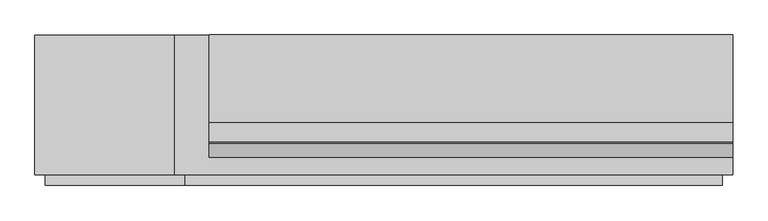
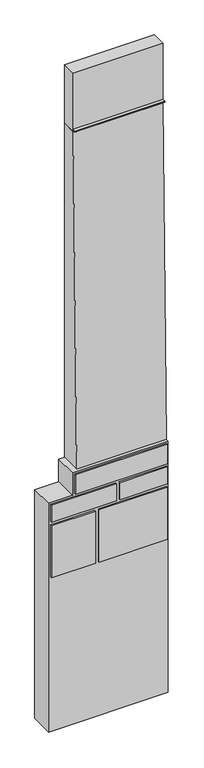
"""IFC4 building model written with IfcOpenShell, lengths in millimetres: furniture geometry."""

import ifcopenshell
import ifcopenshell.guid

model = None  # the IFC model being written
_history = None  # IfcOwnerHistory: only IFC2X3 demands one
_inside = {}  # id of a spatial element -> (the spatial element, [elements in it])
_under = {}  # id of a project, library or spatial element -> (it, [spatial elements below it])
_declared = {}  # id of a project -> (the project, [libraries it declares])
_typed = {}  # id of a type object -> (the type object, [elements of that type])
_made_of = {}  # id of a material, layer set ... -> (it, [elements and type objects made of it])


def new_model(schema):
    """Start an empty IFC model of exactly this schema.

    Asked for "IFC4X3", IfcOpenShell would pick the latest addendum, in which some entities
    have other attributes; the version numbers below select the first issue.
    IFC2X3 requires an IfcOwnerHistory on every rooted entity: one is made here for all.
    """
    global model, _history
    if schema == "IFC4X3":
        model = ifcopenshell.file(schema_version=(4, 3, 0, 0))
    else:
        model = ifcopenshell.file(schema=schema)
    _inside.clear()
    _under.clear()
    _declared.clear()
    _typed.clear()
    _made_of.clear()
    _history = None
    if model.schema == "IFC2X3":
        org = make("IfcOrganization", Name="unknown")
        user = make(
            "IfcPersonAndOrganization",
            ThePerson=make("IfcPerson", FamilyName="unknown"),
            TheOrganization=org,
        )
        app = make(
            "IfcApplication",
            ApplicationDeveloper=org,
            Version="unknown",
            ApplicationFullName="unknown",
            ApplicationIdentifier="unknown",
        )
        _history = make(
            "IfcOwnerHistory",
            OwningUser=user,
            OwningApplication=app,
            ChangeAction="ADDED",
            CreationDate=0,
        )
    return model


def make(cls, **values):
    """One entity of the class cls with the attributes given. An attribute that is None is left unset."""
    return model.create_entity(
        cls, **{name: value for name, value in values.items() if value is not None}
    )


def rooted(cls, **values):
    """An entity with a GlobalId (a new one), such as an element, a storey or a relation."""
    return make(cls, GlobalId=ifcopenshell.guid.new(), OwnerHistory=_history, **values)


def si_unit(unit_type, name, prefix=None):
    """IfcSIUnit, for example si_unit("LENGTHUNIT", "METRE", prefix="MILLI")."""
    return make("IfcSIUnit", UnitType=unit_type, Prefix=prefix, Name=name)


def assignment(units):
    """IfcUnitAssignment: the units of a project."""
    return None if units is None else make("IfcUnitAssignment", Units=units)


def point(xyz):
    """IfcCartesianPoint."""
    return None if xyz is None else make("IfcCartesianPoint", Coordinates=xyz)


def direction(xyz):
    """IfcDirection."""
    return None if xyz is None else make("IfcDirection", DirectionRatios=xyz)


def frame(location, z_axis=None, x_axis=None):
    """IfcAxis2Placement3D, a coordinate frame: its origin and axes. An axis left out is left unset."""
    return make(
        "IfcAxis2Placement3D",
        Location=point(location),
        Axis=direction(z_axis),
        RefDirection=direction(x_axis),
    )


def frame_2d(location, x_axis=None):
    """IfcAxis2Placement2D, a coordinate frame in the plane: its origin and x axis."""
    return make(
        "IfcAxis2Placement2D", Location=point(location), RefDirection=direction(x_axis)
    )


def origin():
    """The frame at (0, 0, 0) with its axes left unset."""
    return frame((0.0, 0.0, 0.0))


def place(relative_to, where):
    """IfcLocalPlacement: puts the frame where relative to a parent placement (None: the world)."""
    return make(
        "IfcLocalPlacement", PlacementRelTo=relative_to, RelativePlacement=where
    )


def context(
    kind, dimensions, precision=None, world=None, true_north=None, identifier=None
):
    """IfcGeometricRepresentationContext, for example the 3D "Model" context."""
    return make(
        "IfcGeometricRepresentationContext",
        ContextIdentifier=identifier,
        ContextType=kind,
        CoordinateSpaceDimension=dimensions,
        Precision=precision,
        WorldCoordinateSystem=world,
        TrueNorth=true_north,
    )


def project(units=None, contexts=None):
    """IfcProject with its units and contexts."""
    return rooted(
        "IfcProject",
        Name="project",
        RepresentationContexts=contexts,
        UnitsInContext=assignment(units),
    )


def spatial(cls, under=None, at=None, **own):
    """A site, building, storey or space (cls), placed at a placement, below another one or the project."""
    s = rooted(cls, ObjectPlacement=at, **own)
    if under is not None:
        _under.setdefault(under.id(), (under, []))[1].append(s)
    return s


def polyline(points):
    """IfcPolyline through the points."""
    return make("IfcPolyline", Points=[point(p) for p in points])


def circle_curve(where, radius):
    """IfcCircle in the frame where."""
    return make("IfcCircle", Position=where, Radius=radius)


def trimmed(basis, trim1, trim2, sense, master):
    """IfcTrimmedCurve: the piece of a basis curve between two trims."""
    return make(
        "IfcTrimmedCurve",
        BasisCurve=basis,
        Trim1=trim1,
        Trim2=trim2,
        SenseAgreement=sense,
        MasterRepresentation=master,
    )


def segment(curve, same_sense, transition):
    """IfcCompositeCurveSegment."""
    return make(
        "IfcCompositeCurveSegment",
        Transition=transition,
        SameSense=same_sense,
        ParentCurve=curve,
    )


def composite_curve(segments, self_intersect=None):
    """IfcCompositeCurve: segments joined end to end."""
    return make("IfcCompositeCurve", Segments=segments, SelfIntersect=self_intersect)


def outline(outer, holes=None, kind="AREA"):
    """IfcArbitraryClosedProfileDef: a profile drawn as a closed curve; with holes, ...WithVoids."""
    if holes is None:
        return make("IfcArbitraryClosedProfileDef", ProfileType=kind, OuterCurve=outer)
    return make(
        "IfcArbitraryProfileDefWithVoids",
        ProfileType=kind,
        OuterCurve=outer,
        InnerCurves=holes,
    )


def extrude(swept, where, along, depth):
    """IfcExtrudedAreaSolid: the profile swept, set in the frame where, extruded along a direction by depth."""
    return make(
        "IfcExtrudedAreaSolid",
        SweptArea=swept,
        Position=where,
        ExtrudedDirection=direction(along),
        Depth=depth,
    )


def shape(context_of_items, identifier, shape_type, items):
    """IfcShapeRepresentation: the items that make up one representation, for example the "Body"."""
    return make(
        "IfcShapeRepresentation",
        ContextOfItems=context_of_items,
        RepresentationIdentifier=identifier,
        RepresentationType=shape_type,
        Items=items,
    )


def source(mapping_origin, context_of_items, identifier, shape_type, items):
    """IfcRepresentationMap: a shape defined once, which mapped items show again and again."""
    return make(
        "IfcRepresentationMap",
        MappingOrigin=mapping_origin,
        MappedRepresentation=shape(context_of_items, identifier, shape_type, items),
    )


def transform(
    local_origin,
    x_axis=None,
    y_axis=None,
    z_axis=None,
    scale=None,
    scale2=None,
    scale3=None,
    uniform=True,
):
    """IfcCartesianTransformationOperator3D, or its non-uniform kind. x_axis, y_axis, z_axis: its Axis1, 2, 3."""
    if uniform:
        return make(
            "IfcCartesianTransformationOperator3D",
            Axis1=direction(x_axis),
            Axis2=direction(y_axis),
            LocalOrigin=point(local_origin),
            Scale=scale,
            Axis3=direction(z_axis),
        )
    return make(
        "IfcCartesianTransformationOperator3DnonUniform",
        Axis1=direction(x_axis),
        Axis2=direction(y_axis),
        LocalOrigin=point(local_origin),
        Scale=scale,
        Axis3=direction(z_axis),
        Scale2=scale2,
        Scale3=scale3,
    )


def mapped(mapping_source, mapping_target):
    """IfcMappedItem: shows the shape of a source again, moved by a transform."""
    return make(
        "IfcMappedItem", MappingSource=mapping_source, MappingTarget=mapping_target
    )


def made_of(thing, what):
    """Note that an element or type object is made of a material, layer set ...; save() writes the relation."""
    if what is not None:
        _made_of.setdefault(what.id(), (what, []))[1].append(thing)
    return thing


def element(
    cls,
    number,
    at=None,
    inside=None,
    cuts=None,
    type_object=None,
    material=None,
    context=None,
    identifier="Body",
    shape_type=None,
    held_by="IfcProductDefinitionShape",
    body=None,
    shapes=None,
    **own,
):
    """One element of the class cls, such as IfcWall. Its Tag is "e" and its number.

    at: its placement. inside: the storey or other place that contains it. cuts: it is an
    opening in that element (IfcRelVoidsElement). A single representation is given by context,
    identifier, shape_type and body (its items); several are given by shapes. held_by: the class
    of the entity that holds the representations. save() writes the other relations.
    """
    e = rooted(cls, Tag="e%d" % number, ObjectPlacement=at, **own)
    if body is not None:
        shapes = [shape(context, identifier, shape_type, body)]
    if shapes is not None:
        e.Representation = make(held_by, Representations=shapes)
    if inside is not None:
        _inside.setdefault(inside.id(), (inside, []))[1].append(e)
    if cuts is not None:
        rooted(
            "IfcRelVoidsElement", RelatingBuildingElement=cuts, RelatedOpeningElement=e
        )
    if type_object is not None:
        _typed.setdefault(type_object.id(), (type_object, []))[1].append(e)
    return made_of(e, material)


def aggregate(whole, parts):
    """IfcRelAggregates: a whole, such as a stair, and the parts it consists of."""
    return rooted("IfcRelAggregates", RelatingObject=whole, RelatedObjects=parts)


def save(model, path):
    """Write the relations noted so far, then the file.

    IfcRelAggregates (storeys below a building ...), IfcRelContainedInSpatialStructure (elements
    in a storey), IfcRelDefinesByType, IfcRelAssociatesMaterial and IfcRelDeclares: one each for
    every whole, place, type object, material and project.
    """
    for whole, parts in _under.values():
        aggregate(whole, parts)
    for where, things in _inside.values():
        rooted(
            "IfcRelContainedInSpatialStructure",
            RelatedElements=things,
            RelatingStructure=where,
        )
    for kind, things in _typed.values():
        rooted("IfcRelDefinesByType", RelatedObjects=things, RelatingType=kind)
    for what, things in _made_of.values():
        rooted("IfcRelAssociatesMaterial", RelatedObjects=things, RelatingMaterial=what)
    for by, libraries in _declared.values():
        rooted("IfcRelDeclares", RelatingContext=by, RelatedDefinitions=libraries)
    model.write(path)


def furniture_8a96862b(model_context):
    return source(origin(), model_context, "Body", "SweptSolid", [
        extrude(outline(polyline([(4310.0, 310.2319964), (4310.0, -1289.7680036), (3910.0, -1289.7680036), (3910.0, -1689.7680036), (-130.0, -1689.7680036), (-130.0, 310.2319964), (4310.0, 310.2319964)])), frame((0.0, -762.5924503, 0.0), z_axis=(0.0, 1.0, 0.0), x_axis=(0.0, 0.0, 1.0)), (0.0, 0.0, 1.0), 400.0),
        extrude(outline(composite_curve([segment(polyline([(-612.5924503, 10210.0), (-622.5924503, 10210.0)]), True, "CONTINUOUS"), segment(trimmed(circle_curve(frame_2d((-622.5924503, 10220.0)), 10.0), [point((-622.5924503, 10210.0))], [point((-632.1318423, 10223.0))], False, "CARTESIAN"), True, "CONTINUOUS"), segment(polyline([(-632.1318423, 10223.0), (-642.5924503, 10223.0)]), True, "CONTINUOUS"), segment(trimmed(circle_curve(frame_2d((-642.5924503, 10233.0)), 10.0), [point((-642.5924503, 10223.0))], [point((-652.1318423, 10236.0))], False, "CARTESIAN"), True, "CONTINUOUS"), segment(polyline([(-652.1318423, 10236.0), (-662.5924503, 10236.0)]), True, "CONTINUOUS"), segment(trimmed(circle_curve(frame_2d((-662.5924503, 10246.0)), 10.0), [point((-662.5924503, 10236.0))], [point((-672.5924503, 10246.0))], False, "CARTESIAN"), True, "CONTINUOUS"), segment(polyline([(-672.5924503, 10246.0), (-672.5924503, 10249.0)]), True, "CONTINUOUS"), segment(trimmed(circle_curve(frame_2d((-669.4147832, 10249.0)), 3.177667), [point((-672.5924503, 10249.0))], [point((-669.4147832, 10252.177667))], False, "CARTESIAN"), True, "CONTINUOUS"), segment(polyline([(-669.4147832, 10252.177667), (-612.5924503, 10252.177667), (-612.5924503, 10210.0)]), True, "CONTINUOUS")], self_intersect=False)), frame((-1189.7680036, 0.0, 0.0), z_axis=(1.0, 0.0, 0.0), x_axis=(0.0, 1.0, 0.0)), (0.0, 0.0, 1.0), 1500.0),
        extrude(outline(polyline([(280.2319964, -792.6), (-1259.7680036, -792.6), (-1259.7680036, -762.5924503), (280.2319964, -762.5924503), (280.2319964, -792.6)])), frame((0.0, 0.0, 3940.0), z_axis=(0.0, 0.0, 1.0), x_axis=(1.0, 0.0, 0.0)), (0.0, 0.0, 1.0), 340.0),
        extrude(outline(polyline([(-569.7680036, -792.6), (-1659.7680036, -792.6), (-1659.7680036, -762.5924503), (-569.7680036, -762.5924503), (-569.7680036, -792.6)])), frame((0.0, 0.0, 3580.0), z_axis=(0.0, 0.0, 1.0), x_axis=(1.0, 0.0, 0.0)), (0.0, 0.0, 1.0), 300.0),
        extrude(outline(polyline([(280.2319964, -792.6), (-509.7680036, -792.6), (-509.7680036, -762.5924503), (280.2319964, -762.5924503), (280.2319964, -792.6)])), frame((0.0, 0.0, 3580.0), z_axis=(0.0, 0.0, 1.0), x_axis=(1.0, 0.0, 0.0)), (0.0, 0.0, 1.0), 300.0),
        extrude(outline(polyline([(-919.7680036, -792.6), (-1659.7680036, -792.6), (-1659.7680036, -762.5924503), (-919.7680036, -762.5924503), (-919.7680036, -792.6)])), frame((0.0, 0.0, 2600.0), z_axis=(0.0, 0.0, 1.0), x_axis=(1.0, 0.0, 0.0)), (0.0, 0.0, 1.0), 920.0),
        extrude(outline(polyline([(280.2319964, -792.6), (-859.7680036, -792.6), (-859.7680036, -762.5924503), (280.2319964, -762.5924503), (280.2319964, -792.6)])), frame((0.0, 0.0, 2600.0), z_axis=(0.0, 0.0, 1.0), x_axis=(1.0, 0.0, 0.0)), (0.0, 0.0, 1.0), 920.0),
        extrude(outline(polyline([(-1189.7680036, -362.5924503), (310.2319964, -362.5924503), (310.2319964, -612.5924503), (-1189.7680036, -612.5924503), (-1189.7680036, -362.5924503)])), frame((0.0, 0.0, 10210.0), z_axis=(0.0, 0.0, 1.0), x_axis=(1.0, 0.0, 0.0)), (0.0, 0.0, 1.0), 1030.0),
        extrude(outline(polyline([(-362.5924503, 4310.0), (-712.5924503, 4310.0), (-612.5924503, 10210.0), (-362.5924503, 10210.0), (-362.5924503, 4310.0)])), frame((-1189.7680036, 0.0, 0.0), z_axis=(1.0, 0.0, 0.0), x_axis=(0.0, 1.0, 0.0)), (0.0, 0.0, 1.0), 1500.0),
    ])


if __name__ == "__main__":
    model = new_model("IFC4")
    model_context = context("Model", 3, world=origin())
    ifc_project = project(units=[si_unit("LENGTHUNIT", "METRE", prefix="MILLI")], contexts=[model_context])
    site = spatial("IfcSite", under=ifc_project)
    building = spatial("IfcBuilding", under=site)
    placement = place(None, origin())
    furniture_shape = furniture_8a96862b(model_context)
    element("IfcFurniture", 1, at=placement, inside=building, context=model_context, shape_type="MappedRepresentation", body=[
        mapped(furniture_shape, transform((0.0, 0.0, 0.0), x_axis=(1.0, 0.0, 0.0), y_axis=(0.0, 1.0, 0.0), z_axis=(0.0, 0.0, 1.0))),
    ])
    save(model, "model.ifc")
